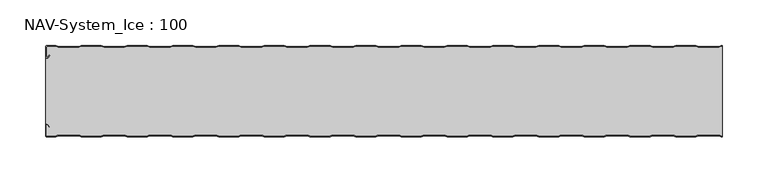
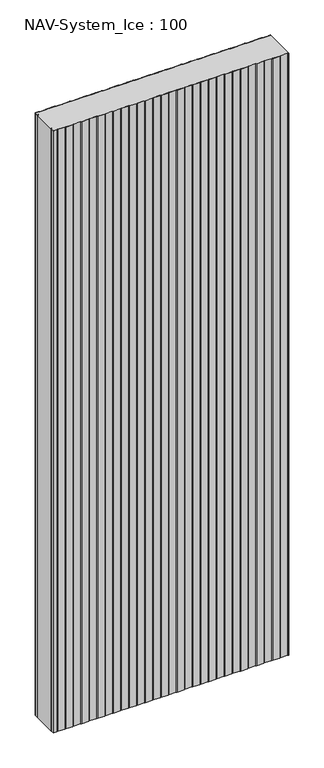
"""IFC4 building model written with IfcOpenShell, lengths in millimetres: plate geometry, NAV-System_Ice : 100."""

from ifc_helpers import new_model, si_unit, point, frame_2d, origin, origin_with_axes, place, context, project, spatial, polyline, circle_curve, trimmed, segment, composite_curve, outline, extrude, source, transform, mapped, element, save


def nav_system_ice_100_f4ef8b3d(model_context):
    return source(origin(), model_context, "Body", "SweptSolid", [
        extrude(outline(composite_curve([segment(polyline([(369.1298221, -0.8), (366.1298221, -1.8), (343.8701779, -1.8), (340.8701779, -0.8), (319.1298221, -0.8), (316.1298221, -1.8), (293.8701779, -1.8), (290.8701779, -0.8), (269.1298221, -0.8), (266.1298221, -1.8), (243.8701779, -1.8), (240.8701779, -0.8), (219.1298221, -0.8), (216.1298221, -1.8), (193.8701779, -1.8), (190.8701779, -0.8), (169.1298221, -0.8), (166.1298221, -1.8), (143.8701779, -1.8), (140.8701779, -0.8), (119.1298221, -0.8), (116.1298221, -1.8), (93.8701779, -1.8), (90.8701779, -0.8), (69.1298221, -0.8), (66.1298221, -1.8), (43.8701779, -1.8), (40.8701779, -0.8), (19.1298221, -0.8), (16.1298221, -1.8), (-6.1298221, -1.8), (-9.1298221, -0.8), (-30.8701779, -0.8), (-33.8701779, -1.8), (-56.1298221, -1.8), (-59.1298221, -0.8), (-80.8701779, -0.8), (-83.8701779, -1.8), (-106.1298221, -1.8), (-109.1298221, -0.8), (-130.8701779, -0.8), (-133.8701779, -1.8), (-156.1298221, -1.8), (-159.1298221, -0.8), (-180.8701779, -0.8), (-183.8701779, -1.8), (-206.1298221, -1.8), (-209.1298221, -0.8), (-230.8701779, -0.8), (-233.8701779, -1.8), (-256.1298221, -1.8), (-259.1298221, -0.8), (-280.8701779, -0.8), (-283.8701779, -1.8), (-306.1298221, -1.8), (-309.1298221, -0.8), (-330.8701779, -0.8), (-333.8701779, -1.8), (-356.1298221, -1.8), (-359.1298221, -0.8), (-368.7, -0.8)]), True, "CONTINUOUS"), segment(trimmed(circle_curve(frame_2d((-368.7, -1.3)), 0.5), [point((-368.7, -0.8))], [point((-369.2, -1.3))], True, "CARTESIAN"), True, "CONTINUOUS"), segment(polyline([(-369.2, -1.3), (-369.2, -12.5857864)]), True, "CONTINUOUS"), segment(trimmed(circle_curve(frame_2d((-368.7, -12.5857864)), 0.5), [point((-369.2, -12.5857864))], [point((-368.3464466, -12.9393398))], True, "CARTESIAN"), True, "CONTINUOUS"), segment(polyline([(-368.3464466, -12.9393398), (-365.9205321, -10.5134253), (-365.3548467, -11.0791108), (-367.7807612, -13.5050253)]), True, "CONTINUOUS"), segment(trimmed(circle_curve(frame_2d((-368.7, -12.5857864)), 1.3), [point((-367.7807612, -13.5050253))], [point((-370.0, -12.5857864))], False, "CARTESIAN"), True, "CONTINUOUS"), segment(polyline([(-370.0, -12.5857864), (-370.0, -1.3)]), True, "CONTINUOUS"), segment(trimmed(circle_curve(frame_2d((-368.7, -1.3)), 1.3), [point((-370.0, -1.3))], [point((-368.7, 0.0))], False, "CARTESIAN"), True, "CONTINUOUS"), segment(polyline([(-368.7, 0.0), (-359.0, 0.0), (-356.0, -1.0), (-334.0, -1.0), (-331.0, 0.0), (-309.0, 0.0), (-306.0, -1.0), (-284.0, -1.0), (-281.0, 0.0), (-259.0, 0.0), (-256.0, -1.0), (-234.0, -1.0), (-231.0, 0.0), (-209.0, 0.0), (-206.0, -1.0), (-184.0, -1.0), (-181.0, 0.0), (-159.0, 0.0), (-156.0, -1.0), (-134.0, -1.0), (-131.0, 0.0), (-109.0, 0.0), (-106.0, -1.0), (-84.0, -1.0), (-81.0, 0.0), (-59.0, 0.0), (-56.0, -1.0), (-34.0, -1.0), (-31.0, 0.0), (-9.0, 0.0), (-6.0, -1.0), (16.0, -1.0), (19.0, 0.0), (41.0, 0.0), (44.0, -1.0), (66.0, -1.0), (69.0, 0.0), (91.0, 0.0), (94.0, -1.0), (116.0, -1.0), (119.0, 0.0), (141.0, 0.0), (144.0, -1.0), (166.0, -1.0), (169.0, 0.0), (191.0, 0.0), (194.0, -1.0), (216.0, -1.0), (219.0, 0.0), (241.0, 0.0), (244.0, -1.0), (266.0, -1.0), (269.0, 0.0), (291.0, 0.0), (294.0, -1.0), (316.0, -1.0), (319.0, 0.0), (341.0, 0.0), (344.0, -1.0), (366.0, -1.0), (369.0, 0.0), (370.0, 0.0), (370.0, -0.8), (369.1298221, -0.8)]), True, "CONTINUOUS")], self_intersect=False)), origin_with_axes(), (0.0, 0.0, 1.0), 2000.0),
        extrude(outline(composite_curve([segment(polyline([(369.1298221, -99.2), (366.1298221, -98.2), (343.8701779, -98.2), (340.8701779, -99.2), (319.1298221, -99.2), (316.1298221, -98.2), (293.8701779, -98.2), (290.8701779, -99.2), (269.1298221, -99.2), (266.1298221, -98.2), (243.8701779, -98.2), (240.8701779, -99.2), (219.1298221, -99.2), (216.1298221, -98.2), (193.8701779, -98.2), (190.8701779, -99.2), (169.1298221, -99.2), (166.1298221, -98.2), (143.8701779, -98.2), (140.8701779, -99.2), (119.1298221, -99.2), (116.1298221, -98.2), (93.8701779, -98.2), (90.8701779, -99.2), (69.1298221, -99.2), (66.1298221, -98.2), (43.8701779, -98.2), (40.8701779, -99.2), (19.1298221, -99.2), (16.1298221, -98.2), (-6.1298221, -98.2), (-9.1298221, -99.2), (-30.8701779, -99.2), (-33.8701779, -98.2), (-56.1298221, -98.2), (-59.1298221, -99.2), (-80.8701779, -99.2), (-83.8701779, -98.2), (-106.1298221, -98.2), (-109.1298221, -99.2), (-130.8701779, -99.2), (-133.8701779, -98.2), (-156.1298221, -98.2), (-159.1298221, -99.2), (-180.8701779, -99.2), (-183.8701779, -98.2), (-206.1298221, -98.2), (-209.1298221, -99.2), (-230.8701779, -99.2), (-233.8701779, -98.2), (-256.1298221, -98.2), (-259.1298221, -99.2), (-280.8701779, -99.2), (-283.8701779, -98.2), (-306.1298221, -98.2), (-309.1298221, -99.2), (-330.8701779, -99.2), (-333.8701779, -98.2), (-356.1298221, -98.2), (-359.1298221, -99.2), (-368.7, -99.2)]), True, "CONTINUOUS"), segment(trimmed(circle_curve(frame_2d((-368.7, -98.7)), 0.5), [point((-368.7, -99.2))], [point((-369.2, -98.7))], False, "CARTESIAN"), True, "CONTINUOUS"), segment(polyline([(-369.2, -98.7), (-369.2, -87.4142136)]), True, "CONTINUOUS"), segment(trimmed(circle_curve(frame_2d((-368.7, -87.4142136)), 0.5), [point((-369.2, -87.4142136))], [point((-368.3464466, -87.0606602))], False, "CARTESIAN"), True, "CONTINUOUS"), segment(polyline([(-368.3464466, -87.0606602), (-365.9205321, -89.4865747), (-365.3548467, -88.9208892), (-367.7807612, -86.4949747)]), True, "CONTINUOUS"), segment(trimmed(circle_curve(frame_2d((-368.7, -87.4142136)), 1.3), [point((-367.7807612, -86.4949747))], [point((-368.7, -86.1142136))], True, "CARTESIAN"), True, "CONTINUOUS"), segment(polyline([(-368.7, -86.1142136), (-370.0, -86.1142136), (-370.0, -13.8857864), (-368.7, -13.8857864)]), True, "CONTINUOUS"), segment(trimmed(circle_curve(frame_2d((-368.7, -12.5857864)), 1.3), [point((-368.7, -13.8857864))], [point((-367.7807612, -13.5050253))], True, "CARTESIAN"), True, "CONTINUOUS"), segment(polyline([(-367.7807612, -13.5050253), (-365.3548467, -11.0791108), (-365.9205321, -10.5134253), (-368.3464466, -12.9393398)]), True, "CONTINUOUS"), segment(trimmed(circle_curve(frame_2d((-368.7, -12.5857864)), 0.5), [point((-368.3464466, -12.9393398))], [point((-369.2, -12.5857864))], False, "CARTESIAN"), True, "CONTINUOUS"), segment(polyline([(-369.2, -12.5857864), (-369.2, -1.3)]), True, "CONTINUOUS"), segment(trimmed(circle_curve(frame_2d((-368.7, -1.3)), 0.5), [point((-369.2, -1.3))], [point((-368.7, -0.8))], False, "CARTESIAN"), True, "CONTINUOUS"), segment(polyline([(-368.7, -0.8), (-359.1298221, -0.8), (-356.1298221, -1.8), (-333.8701779, -1.8), (-330.8701779, -0.8), (-309.1298221, -0.8), (-306.1298221, -1.8), (-283.8701779, -1.8), (-280.8701779, -0.8), (-259.1298221, -0.8), (-256.1298221, -1.8), (-233.8701779, -1.8), (-230.8701779, -0.8), (-209.1298221, -0.8), (-206.1298221, -1.8), (-183.8701779, -1.8), (-180.8701779, -0.8), (-159.1298221, -0.8), (-156.1298221, -1.8), (-133.8701779, -1.8), (-130.8701779, -0.8), (-109.1298221, -0.8), (-106.1298221, -1.8), (-83.8701779, -1.8), (-80.8701779, -0.8), (-59.1298221, -0.8), (-56.1298221, -1.8), (-33.8701779, -1.8), (-30.8701779, -0.8), (-9.1298221, -0.8), (-6.1298221, -1.8), (16.1298221, -1.8), (19.1298221, -0.8), (40.8701779, -0.8), (43.8701779, -1.8), (66.1298221, -1.8), (69.1298221, -0.8), (90.8701779, -0.8), (93.8701779, -1.8), (116.1298221, -1.8), (119.1298221, -0.8), (140.8701779, -0.8), (143.8701779, -1.8), (166.1298221, -1.8), (169.1298221, -0.8), (190.8701779, -0.8), (193.8701779, -1.8), (216.1298221, -1.8), (219.1298221, -0.8), (240.8701779, -0.8), (243.8701779, -1.8), (266.1298221, -1.8), (269.1298221, -0.8), (290.8701779, -0.8), (293.8701779, -1.8), (316.1298221, -1.8), (319.1298221, -0.8), (340.8701779, -0.8), (343.8701779, -1.8), (366.1298221, -1.8), (369.1298221, -0.8), (370.0, -0.8), (370.0, -99.2), (369.1298221, -99.2)]), True, "CONTINUOUS")], self_intersect=False)), origin_with_axes(), (0.0, 0.0, 1.0), 2000.0),
        extrude(outline(composite_curve([segment(polyline([(369.0, -100.0), (366.0, -99.0), (344.0, -99.0), (341.0, -100.0), (319.0, -100.0), (316.0, -99.0), (294.0, -99.0), (291.0, -100.0), (269.0, -100.0), (266.0, -99.0), (244.0, -99.0), (241.0, -100.0), (219.0, -100.0), (216.0, -99.0), (194.0, -99.0), (191.0, -100.0), (169.0, -100.0), (166.0, -99.0), (144.0, -99.0), (141.0, -100.0), (119.0, -100.0), (116.0, -99.0), (94.0, -99.0), (91.0, -100.0), (69.0, -100.0), (66.0, -99.0), (44.0, -99.0), (41.0, -100.0), (19.0, -100.0), (16.0, -99.0), (-6.0, -99.0), (-9.0, -100.0), (-31.0, -100.0), (-34.0, -99.0), (-56.0, -99.0), (-59.0, -100.0), (-81.0, -100.0), (-84.0, -99.0), (-106.0, -99.0), (-109.0, -100.0), (-131.0, -100.0), (-134.0, -99.0), (-156.0, -99.0), (-159.0, -100.0), (-181.0, -100.0), (-184.0, -99.0), (-206.0, -99.0), (-209.0, -100.0), (-231.0, -100.0), (-234.0, -99.0), (-256.0, -99.0), (-259.0, -100.0), (-281.0, -100.0), (-284.0, -99.0), (-306.0, -99.0), (-309.0, -100.0), (-331.0, -100.0), (-334.0, -99.0), (-356.0, -99.0), (-359.0, -100.0), (-368.7, -100.0)]), True, "CONTINUOUS"), segment(trimmed(circle_curve(frame_2d((-368.7, -98.7)), 1.3), [point((-368.7, -100.0))], [point((-370.0, -98.7))], False, "CARTESIAN"), True, "CONTINUOUS"), segment(polyline([(-370.0, -98.7), (-370.0, -87.4142136)]), True, "CONTINUOUS"), segment(trimmed(circle_curve(frame_2d((-368.7, -87.4142136)), 1.3), [point((-370.0, -87.4142136))], [point((-367.7807612, -86.4949747))], False, "CARTESIAN"), True, "CONTINUOUS"), segment(polyline([(-367.7807612, -86.4949747), (-365.3548467, -88.9208892), (-365.9205321, -89.4865747), (-368.3464466, -87.0606602)]), True, "CONTINUOUS"), segment(trimmed(circle_curve(frame_2d((-368.7, -87.4142136)), 0.5), [point((-368.3464466, -87.0606602))], [point((-369.2, -87.4142136))], True, "CARTESIAN"), True, "CONTINUOUS"), segment(polyline([(-369.2, -87.4142136), (-369.2, -98.7)]), True, "CONTINUOUS"), segment(trimmed(circle_curve(frame_2d((-368.7, -98.7)), 0.5), [point((-369.2, -98.7))], [point((-368.7, -99.2))], True, "CARTESIAN"), True, "CONTINUOUS"), segment(polyline([(-368.7, -99.2), (-359.1298221, -99.2), (-356.1298221, -98.2), (-333.8701779, -98.2), (-330.8701779, -99.2), (-309.1298221, -99.2), (-306.1298221, -98.2), (-283.8701779, -98.2), (-280.8701779, -99.2), (-259.1298221, -99.2), (-256.1298221, -98.2), (-233.8701779, -98.2), (-230.8701779, -99.2), (-209.1298221, -99.2), (-206.1298221, -98.2), (-183.8701779, -98.2), (-180.8701779, -99.2), (-159.1298221, -99.2), (-156.1298221, -98.2), (-133.8701779, -98.2), (-130.8701779, -99.2), (-109.1298221, -99.2), (-106.1298221, -98.2), (-83.8701779, -98.2), (-80.8701779, -99.2), (-59.1298221, -99.2), (-56.1298221, -98.2), (-33.8701779, -98.2), (-30.8701779, -99.2), (-9.1298221, -99.2), (-6.1298221, -98.2), (16.1298221, -98.2), (19.1298221, -99.2), (40.8701779, -99.2), (43.8701779, -98.2), (66.1298221, -98.2), (69.1298221, -99.2), (90.8701779, -99.2), (93.8701779, -98.2), (116.1298221, -98.2), (119.1298221, -99.2), (140.8701779, -99.2), (143.8701779, -98.2), (166.1298221, -98.2), (169.1298221, -99.2), (190.8701779, -99.2), (193.8701779, -98.2), (216.1298221, -98.2), (219.1298221, -99.2), (240.8701779, -99.2), (243.8701779, -98.2), (266.1298221, -98.2), (269.1298221, -99.2), (290.8701779, -99.2), (293.8701779, -98.2), (316.1298221, -98.2), (319.1298221, -99.2), (340.8701779, -99.2), (343.8701779, -98.2), (366.1298221, -98.2), (369.1298221, -99.2), (370.0, -99.2), (370.0, -100.0), (369.0, -100.0)]), True, "CONTINUOUS")], self_intersect=False)), origin_with_axes(), (0.0, 0.0, 1.0), 2000.0),
    ])


if __name__ == "__main__":
    model = new_model("IFC4")
    model_context = context("Model", 3, world=origin())
    ifc_project = project(units=[si_unit("LENGTHUNIT", "METRE", prefix="MILLI")], contexts=[model_context])
    site = spatial("IfcSite", under=ifc_project)
    building = spatial("IfcBuilding", under=site)
    placement = place(None, origin())
    nav_system_ice_100_shape = nav_system_ice_100_f4ef8b3d(model_context)
    element("IfcPlate", 1, ObjectType="NAV-System_Ice : 100", at=placement, inside=building, context=model_context, shape_type="MappedRepresentation", body=[
        mapped(nav_system_ice_100_shape, transform((0.0, 0.0, 0.0), x_axis=(1.0, 0.0, 0.0), y_axis=(0.0, 1.0, 0.0), z_axis=(0.0, 0.0, 1.0))),
    ])
    save(model, "model.ifc")
